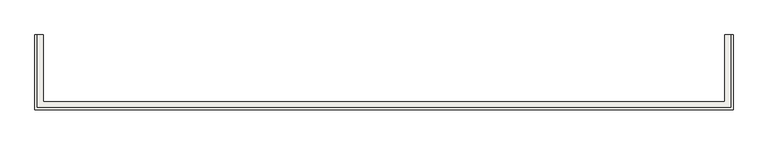
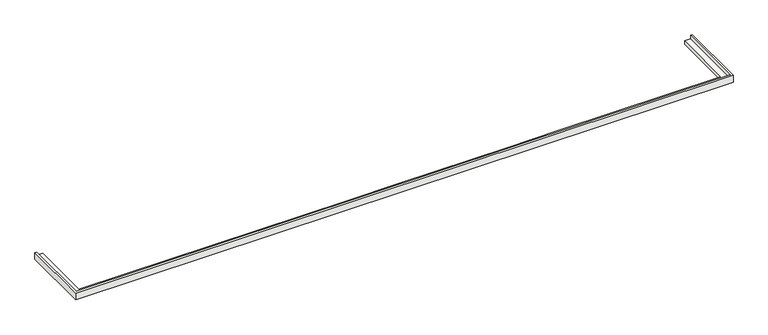
"""IFC4 building model written with IfcOpenShell, lengths in millimetres: slab geometry."""

from ifc_helpers import new_model, si_unit, origin, place, context, project, spatial, faceted_brep, source, transform, mapped, element, save


def slab_867c6abf(model_context):
    return source(origin(), model_context, "Body", "Brep", [
        faceted_brep([(72629.3852488, 5441.1764706, 13115.0), (73129.3852488, 5441.1764706, 13115.0), (73129.3852488, 5441.1764706, 13415.0), (73279.3852488, 5441.1764706, 13415.0), (73279.3852488, 5441.1764706, 12815.0), (72629.3852488, 5441.1764706, 12815.0), (72629.3852488, 141.1764706, 12815.0), (72629.3852488, 141.1764706, 13115.0), (73279.3852488, -508.8235294, 12815.0), (17779.3852488, -508.8235294, 12815.0), (17779.3852488, 5441.1764706, 12815.0), (18429.3852488, 5441.1764706, 12815.0), (18429.3852488, 141.1764706, 12815.0), (18779.3852488, 141.1764706, 12815.0), (22779.3852488, 141.1764706, 12815.0), (23279.3852488, 141.1764706, 12815.0), (27279.3852488, 141.1764706, 12815.0), (27779.3852488, 141.1764706, 12815.0), (31779.3852488, 141.1764706, 12815.0), (32279.3852488, 141.1764706, 12815.0), (36279.3852488, 141.1764706, 12815.0), (36779.3852488, 141.1764706, 12815.0), (40779.3852488, 141.1764706, 12815.0), (41104.3852488, 141.1764706, 12815.0), (45454.3852488, 141.1764706, 12815.0), (54604.3852488, 141.1764706, 12815.0), (58954.3852488, 141.1764706, 12815.0), (73279.3852488, -508.8235294, 13415.0), (73129.3852488, -358.8235294, 13415.0), (17929.3852488, -358.8235294, 13415.0), (17929.3852488, 5441.1764706, 13415.0), (17779.3852488, 5441.1764706, 13415.0), (17779.3852488, -508.8235294, 13415.0), (73129.3852488, -358.8235294, 13115.0), (58954.3852488, 141.1764706, 13115.0), (54604.3852488, 141.1764706, 13115.0), (45454.3852488, 141.1764706, 13115.0), (41104.3852488, 141.1764706, 13115.0), (18429.3852488, 141.1764706, 13115.0), (18429.3852488, 5441.1764706, 13115.0), (17929.3852488, 5441.1764706, 13115.0), (17929.3852488, -358.8235294, 13115.0)], [[[0, 1, 2, 3, 4, 5]], [[0, 5, 6, 7]], [[5, 4, 8, 9, 10, 11, 12, 13, 14, 15, 16, 17, 18, 19, 20, 21, 22, 23, 24, 25, 26, 6]], [[4, 3, 27, 8]], [[3, 2, 28, 29, 30, 31, 32, 27]], [[2, 1, 33, 28]], [[1, 0, 7, 34, 35, 36, 37, 38, 39, 40, 41, 33]], [[7, 6, 26, 25, 24, 23, 22, 21, 20, 19, 18, 17, 16, 15, 14, 13, 12, 38, 37, 36, 35, 34]], [[8, 27, 32, 9]], [[28, 33, 41, 29]], [[39, 11, 10, 31, 30, 40]], [[38, 12, 11, 39]], [[9, 32, 31, 10]], [[29, 41, 40, 30]]]),
    ])


if __name__ == "__main__":
    model = new_model("IFC4")
    model_context = context("Model", 3, world=origin())
    ifc_project = project(units=[si_unit("LENGTHUNIT", "METRE", prefix="MILLI")], contexts=[model_context])
    site = spatial("IfcSite", under=ifc_project)
    building = spatial("IfcBuilding", under=site)
    placement = place(None, origin())
    slab_shape = slab_867c6abf(model_context)
    element("IfcSlab", 1, at=placement, inside=building, context=model_context, shape_type="MappedRepresentation", body=[
        mapped(slab_shape, transform((0.0, 0.0, 0.0), x_axis=(1.0, 0.0, 0.0), y_axis=(0.0, 1.0, 0.0), z_axis=(0.0, 0.0, 1.0))),
    ])
    save(model, "model.ifc")
